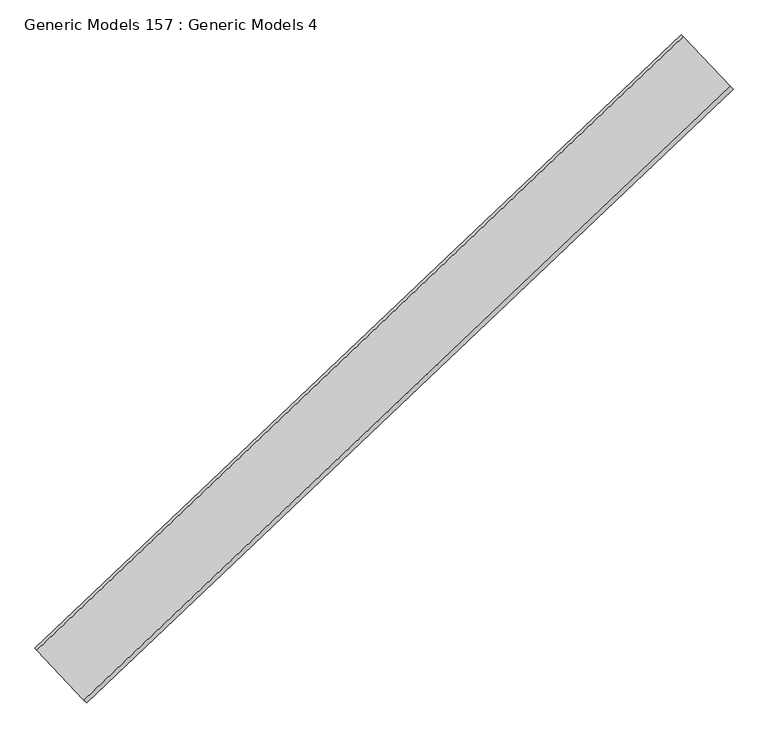
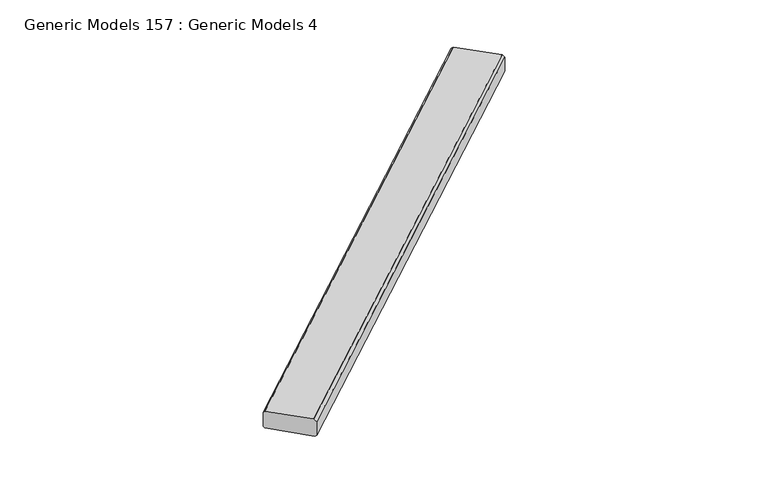
"""IFC4 building model written with IfcOpenShell, lengths in millimetres: proxy geometry, Generic Models 157 : Generic Models 4."""

from ifc_helpers import new_model, si_unit, frame, origin, place, context, project, spatial, polyline, outline, extrude, source, transform, mapped, element, save


def generic_models_157_generic_models_4_9e62bbb6(model_context):
    return source(origin(), model_context, "Body", "SweptSolid", [
        extrude(outline(polyline([(-342.9, 127.0), (-322.9428572, 146.9571429), (25.4, 139.7), (38.1, 127.0), (38.1, 12.7), (25.4, 0.0), (-330.2, 0.0), (-342.9, 12.7), (-342.9, 127.0)])), frame((99710.9682803, 57354.0801665, 16395.7), z_axis=(0.7253743710122708, 0.6883545756937719, 0.0), x_axis=(-0.6883545756937719, 0.7253743710122708, 0.0)), (0.0, 0.0, 1.0), 4530.725),
    ])


if __name__ == "__main__":
    model = new_model("IFC4")
    model_context = context("Model", 3, world=origin())
    ifc_project = project(units=[si_unit("LENGTHUNIT", "METRE", prefix="MILLI")], contexts=[model_context])
    site = spatial("IfcSite", under=ifc_project)
    building = spatial("IfcBuilding", under=site)
    placement = place(None, origin())
    generic_models_157_generic_models_4_shape = generic_models_157_generic_models_4_9e62bbb6(model_context)
    element("IfcBuildingElementProxy", 1, Name="Generic Models 157 : Generic Models 4", ObjectType="Generic Models 157 : Generic Models 4", at=placement, inside=building, context=model_context, shape_type="MappedRepresentation", body=[
        mapped(generic_models_157_generic_models_4_shape, transform((0.0, 0.0, 0.0), x_axis=(1.0, 0.0, 0.0), y_axis=(0.0, 1.0, 0.0), z_axis=(0.0, 0.0, 1.0))),
    ])
    save(model, "model.ifc")
